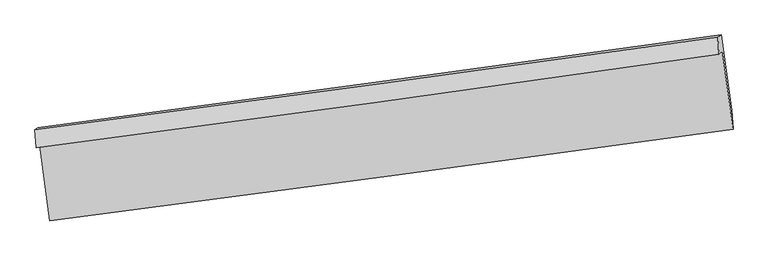
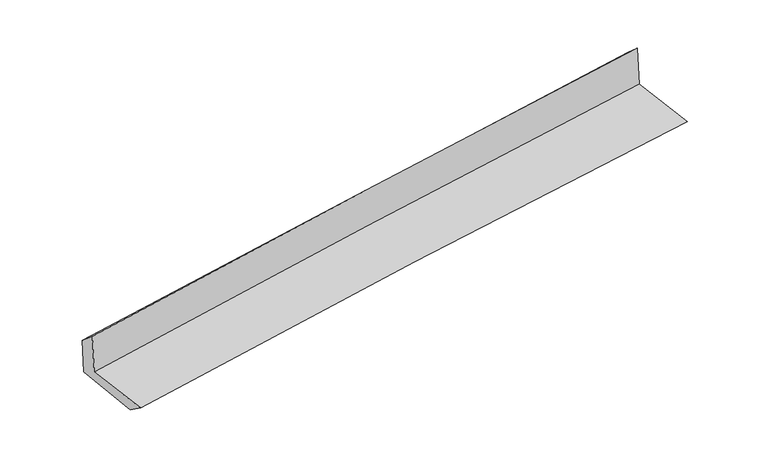
"""IFC4 building model written with IfcOpenShell, lengths in millimetres: proxy geometry."""

from ifc_helpers import new_model, si_unit, frame, origin, place, context, project, spatial, source, transform, mapped, element, save
from ifc_brep_helpers import plane_surface, spline_curve, spline_surface, advanced_brep


def generic_models_90090cc1(model_context):
    return source(origin(), model_context, "Body", "AdvancedBrep", [
        advanced_brep(
        [(-2983.8739273, -1904.3970051, 1644.1015383), (-2895.1530955, -2558.3844294, 1629.610304), (3033.6232861, -1763.297284, 2104.6799968), (2940.8197303, -1090.0511207, 2127.6764503), (-3014.1558662, -1926.9581768, 2047.2409284), (2910.7111149, -1112.4831599, 2528.5084086), (-3023.9608912, -1771.2871045, 1913.7309637), (2901.3608511, -967.286357, 2404.4711001), (-2997.4511407, -1751.5363536, 1560.8102108), (2928.8060958, -946.8386281, 2039.0962399), (-2907.3383051, -2395.913089, 1513.8970612), (3021.1935122, -1601.9159561, 1991.4596892)],
        [
            (0, 1),
            (1, 2, spline_curve(3, [(-2895.1530955, -2558.3844294, 1629.610304), (-1908.35313877, -2430.058073592, 1731.837894684), (-920.895862427, -2299.63865595, 1822.540411659), (1055.362891994, -2034.609732841, 1980.897665232), (2044.164409702, -1900.000101888, 2048.551712934), (3033.6232861, -1763.297284, 2104.6799968)], [4, 2, 4], [0.0, 9.843468789977315, 19.68723208437529])),
            (2, 3),
            (3, 0, spline_curve(3, [(2940.8197303, -1090.0511207, 2127.6764503), (1952.69875324, -1233.1143796, 2067.347631824), (964.906412491, -1372.509126262, 1996.884558884), (-1009.991453481, -1643.957534698, 1835.692315016), (-1997.096998709, -1776.011416218, 1744.963750944), (-2983.8739273, -1904.3970051, 1644.1015383)], [4, 2, 4], [0.0, 9.843763294397974, 19.68723208437529])),
            (4, 0),
            (3, 5),
            (5, 4, spline_curve(3, [(2910.7111149, -1112.4831599, 2528.5084086), (1922.752772417, -1255.425249949, 2466.014457076), (935.027303901, -1394.770174532, 2394.661125514), (-1039.928342627, -1666.261631384, 2234.23810188), (-2027.158534113, -1798.408379202, 2145.168940206), (-3014.1558662, -1926.9581768, 2047.2409284)], [4, 2, 4], [0.0, 9.843039853218379, 19.68578522365992])),
            (6, 4),
            (5, 7),
            (7, 6, spline_curve(3, [(2901.3608511, -967.286357, 2404.4711001), (1914.114955129, -1104.256037966, 2323.96063864), (926.707806548, -1239.741921026, 2242.809774976), (-1048.399450606, -1507.742081117, 2079.229691444), (-2036.099549179, -1640.256447683, 1996.800509396), (-3023.9608912, -1771.2871045, 1913.7309637)], [4, 2, 4], [0.0, 9.842509679131096, 19.68472489134703])),
            (8, 6),
            (7, 9),
            (9, 8, spline_curve(3, [(2928.8060958, -946.8386281, 2039.0962399), (1941.092450546, -1084.156799969, 1964.812863123), (953.373470507, -1219.875008786, 1887.813368541), (-1022.0456087, -1488.107488082, 1728.38452998), (-2009.745707395, -1620.621854315, 1645.955348), (-2997.4511407, -1751.5363536, 1560.8102108)], [4, 2, 4], [0.0, 9.842247538641619, 19.684200618210763])),
            (10, 8),
            (9, 11),
            (11, 10, spline_curve(3, [(3021.1935122, -1601.9159561, 1991.4596892), (2032.636422967, -1734.159513889, 1917.536199678), (1044.306173477, -1866.448711222, 1840.776931163), (-931.871085529, -2131.114424601, 1681.589219151), (-1919.718108302, -2263.490938437, 1599.160944715), (-2907.3383051, -2395.913089, 1513.8970612)], [4, 2, 4], [0.0, 9.842902974252004, 19.685511469822295])),
            (1, 10),
            (11, 2),
        ],
        [
            spline_surface(3, 3, [[(-2983.8739273, -1904.3970051, 1644.1015383), (-1997.096998754, -1776.011416241, 1744.963750793), (-1009.991453594, -1643.9575348, 1835.692315082), (964.906412604, -1372.50912616, 1996.884558818), (1952.698753321, -1233.11437949, 2067.34763182), (2940.8197303, -1090.0511207, 2127.6764503)], [(-2954.30031671, -2122.392813192, 1639.271126889), (-1967.515712084, -1994.02696868, 1740.588465489), (-980.29292322, -1862.51790853, 1831.308347213), (995.058572422, -1593.209328365, 1991.555594336), (1983.187305434, -1455.4096203, 2061.082325538), (2971.75424889, -1314.466508476, 2120.010965791)], [(-2924.72670609, -2340.388621308, 1634.440715411), (-1937.934425384, -2212.042521144, 1736.213180119), (-950.594392855, -2081.078282273, 1826.924379366), (1025.21073223, -1813.909530583, 1986.226629876), (2013.675857579, -1677.70486108, 2054.817019283), (3002.68876751, -1538.881896224, 2112.345481309)], [(-2895.1530955, -2558.3844294, 1629.610304), (-1908.353138714, -2430.058073584, 1731.837894815), (-920.89586248, -2299.638656003, 1822.540411496), (1055.362892048, -2034.609732788, 1980.897665395), (2044.164409692, -1900.00010189, 2048.551713001), (3033.6232861, -1763.297284, 2104.6799968)]], [4, 4], [4, 2, 4], [0.0, 2.1822131279438017], [0.0, 9.843468789977315, 19.68723208437529]),
            spline_surface(3, 3, [[(-3014.1558662, -1926.9581768, 2047.2409284), (-2027.158534265, -1798.408379212, 2145.168940144), (-1039.92834257, -1666.261631484, 2234.238101961), (935.027303844, -1394.770174432, 2394.661125432), (1922.752772554, -1255.425249835, 2466.014457072), (2910.7111149, -1112.4831599, 2528.5084086)], [(-3004.06188657, -1919.437786243, 1912.861131673), (-2017.138022431, -1790.942724898, 2011.767210333), (-1029.94937958, -1658.826932605, 2101.389506338), (944.987006762, -1387.349825024, 2262.068936564), (1932.734766154, -1247.988293039, 2333.125515343), (2920.747320044, -1105.005813485, 2394.897755855)], [(-2993.96790693, -1911.917395657, 1778.481335027), (-2007.117510588, -1783.477070555, 1878.365480604), (-1019.970416584, -1651.392233679, 1968.540910705), (954.946709686, -1379.929475568, 2129.476747686), (1942.716759721, -1240.551336287, 2200.236573549), (2930.783525156, -1097.528467115, 2261.287103045)], [(-2983.8739273, -1904.3970051, 1644.1015383), (-1997.096998754, -1776.011416241, 1744.963750793), (-1009.991453594, -1643.9575348, 1835.692315082), (964.906412604, -1372.50912616, 1996.884558818), (1952.698753321, -1233.11437949, 2067.34763182), (2940.8197303, -1090.0511207, 2127.6764503)]], [4, 4], [4, 2, 4], [0.0, 1.3120214306776121], [0.0, 9.842745370441541, 19.68578522365992]),
            spline_surface(3, 3, [[(-3023.9608912, -1771.2871045, 1913.7309637), (-2036.099549264, -1640.256447589, 1996.800509362), (-1048.399450576, -1507.742081264, 2079.229691305), (926.707806518, -1239.741920879, 2242.809775115), (1914.114955239, -1104.256038039, 2323.960638588), (2901.3608511, -967.286357, 2404.4711001)], [(-3020.692549521, -1823.177461932, 1958.234285295), (-2033.119210918, -1692.973758128, 2046.256652984), (-1045.575747932, -1560.581931321, 2130.899161515), (929.480972269, -1291.41800538, 2293.426891879), (1916.994227658, -1154.645775316, 2371.311911391), (2904.477605681, -1015.685291312, 2445.816869575)], [(-3017.424207879, -1875.067819368, 2002.737606805), (-2030.13887261, -1745.691068673, 2095.712796522), (-1042.752045214, -1613.421781427, 2182.568631751), (932.254138093, -1343.094089931, 2344.044008669), (1919.873500135, -1205.035512558, 2418.663184269), (2907.594360319, -1064.084225588, 2487.162639125)], [(-3014.1558662, -1926.9581768, 2047.2409284), (-2027.158534265, -1798.408379212, 2145.168940144), (-1039.92834257, -1666.261631484, 2234.238101961), (935.027303844, -1394.770174432, 2394.661125432), (1922.752772554, -1255.425249835, 2466.014457072), (2910.7111149, -1112.4831599, 2528.5084086)]], [4, 4], [4, 2, 4], [0.0, 0.720211500530603], [0.0, 9.842215212215935, 19.68472489134703]),
            spline_surface(3, 3, [[(-2997.4511407, -1751.5363536, 1560.8102108), (-2009.745707449, -1620.621854462, 1645.955347873), (-1022.045608661, -1488.107488138, 1728.384529816), (953.373470468, -1219.87500873, 1887.813368705), (1941.09245056, -1084.156799838, 1964.812863121), (2928.8060958, -946.8386281, 2039.0962399)], [(-3006.287724218, -1758.119937249, 1678.450461767), (-2018.530321406, -1627.166718854, 1762.903735036), (-1030.830222618, -1494.652352529, 1845.33291698), (944.484915833, -1226.497312796, 2006.145504175), (1932.099952137, -1090.856545895, 2084.528788299), (2919.657680917, -953.654537723, 2160.887859988)], [(-3015.124307682, -1764.703520851, 1796.090712733), (-2027.314935307, -1633.711583197, 1879.852122198), (-1039.614836619, -1501.197216873, 1962.281304142), (935.596361153, -1233.119616813, 2124.477639645), (1923.107453662, -1097.556291982, 2204.244713411), (2910.509265983, -960.470447377, 2282.679480012)], [(-3023.9608912, -1771.2871045, 1913.7309637), (-2036.099549264, -1640.256447589, 1996.800509362), (-1048.399450576, -1507.742081264, 2079.229691305), (926.707806518, -1239.741920879, 2242.809775115), (1914.114955239, -1104.256038039, 2323.960638588), (2901.3608511, -967.286357, 2404.4711001)]], [4, 4], [4, 2, 4], [0.0, 1.1629454446767662], [0.0, 9.841953079569144, 19.684200618210763]),
            spline_surface(3, 3, [[(-2907.3383051, -2395.913089, 1513.8970612), (-1919.718108182, -2263.490938574, 1599.160944585), (-931.871085456, -2131.11442476, 1681.589218989), (1044.306173404, -1866.448711064, 1840.776931325), (2032.636423113, -1734.159513909, 1917.536199606), (3021.1935122, -1601.9159561, 1991.4596892)], [(-2937.375916957, -2181.120843861, 1529.534777721), (-1949.727307927, -2049.201243864, 1614.759079003), (-961.929259845, -1916.778779235, 1697.187655933), (1013.995272438, -1650.924143635, 1856.455743787), (2002.121765583, -1517.491942569, 1933.295087445), (2990.397706721, -1383.556846784, 2007.338539434)], [(-2967.413528843, -1966.328598739, 1545.172494279), (-1979.736507703, -1834.911549172, 1630.357213455), (-991.987434272, -1702.443133663, 1712.786092872), (983.684371434, -1435.399576159, 1872.134556243), (1971.60710809, -1300.824371177, 1949.053975282), (2959.601901279, -1165.197737416, 2023.217389666)], [(-2997.4511407, -1751.5363536, 1560.8102108), (-2009.745707449, -1620.621854462, 1645.955347873), (-1022.045608661, -1488.107488138, 1728.384529816), (953.373470468, -1219.87500873, 1887.813368705), (1941.09245056, -1084.156799838, 1964.812863121), (2928.8060958, -946.8386281, 2039.0962399)]], [4, 4], [4, 2, 4], [0.0, 2.1417519928095627], [0.0, 9.84260849557029, 19.685511469822295]),
            spline_surface(3, 3, [[(-2895.1530955, -2558.3844294, 1629.610304), (-1908.353138714, -2430.058073584, 1731.837894815), (-920.89586248, -2299.638656003, 1822.540411496), (1055.362892048, -2034.609732788, 1980.897665395), (2044.164409692, -1900.00010189, 2048.551713001), (3033.6232861, -1763.297284, 2104.6799968)], [(-2899.214832025, -2504.227315924, 1591.039223055), (-1912.141461861, -2374.535695238, 1687.612244727), (-924.554270143, -2243.463912229, 1775.556680671), (1051.677319162, -1978.556058854, 1934.190754049), (2040.321747512, -1844.719905881, 2004.879875193), (3029.480028147, -1709.503508019, 2066.939894257)], [(-2903.276568575, -2450.070202476, 1552.468142145), (-1915.929785035, -2319.01331692, 1643.386594673), (-928.212677793, -2187.289168534, 1728.572949814), (1047.991746289, -1922.502384998, 1887.483842671), (2036.479085293, -1789.439709917, 1961.208037414), (3025.336770153, -1655.709732081, 2029.199791743)], [(-2907.3383051, -2395.913089, 1513.8970612), (-1919.718108182, -2263.490938574, 1599.160944585), (-931.871085456, -2131.11442476, 1681.589218989), (1044.306173404, -1866.448711064, 1840.776931325), (2032.636423113, -1734.159513909, 1917.536199606), (3021.1935122, -1601.9159561, 1991.4596892)]], [4, 4], [4, 2, 4], [0.0, 0.7203737042272409], [0.0, 9.843603774433154, 19.68750205732553]),
            plane_surface(frame((2956.085765, -1246.978751, 2199.3153141), z_axis=(0.9876981477851196, 0.13336003901480814, 0.08165457033022151), x_axis=(-0.074787919401513, -0.05571978381769991, 0.9956415383072874))),
            plane_surface(frame((-2970.3222043, -2051.4126931, 1718.2318344), z_axis=(-0.9878576327931918, -0.132205963711129, -0.08160196377197547), x_axis=(-0.13439759355576553, 0.9906843103745726, 0.02195185696192357))),
        ],
        [
            (0, [[1, 2, 3, 4]]),
            (1, [[5, -4, 6, 7]]),
            (2, [[8, -7, 9, 10]]),
            (3, [[11, -10, 12, 13]]),
            (4, [[14, -13, 15, 16]]),
            (5, [[17, -16, 18, -2]]),
            (6, [[-12, -9, -6, -3, -18, -15]]),
            (7, [[-1, -5, -8, -11, -14, -17]]),
        ],
    ),
    ])


if __name__ == "__main__":
    model = new_model("IFC4")
    model_context = context("Model", 3, world=origin())
    ifc_project = project(units=[si_unit("LENGTHUNIT", "METRE", prefix="MILLI")], contexts=[model_context])
    site = spatial("IfcSite", under=ifc_project)
    building = spatial("IfcBuilding", under=site)
    placement = place(None, origin())
    generic_models_shape = generic_models_90090cc1(model_context)
    element("IfcBuildingElementProxy", 1, Name="Generic Models", at=placement, inside=building, context=model_context, shape_type="MappedRepresentation", body=[
        mapped(generic_models_shape, transform((0.0, 0.0, 0.0), x_axis=(1.0, 0.0, 0.0), y_axis=(0.0, 1.0, 0.0), z_axis=(0.0, 0.0, 1.0))),
    ])
    save(model, "model.ifc")
